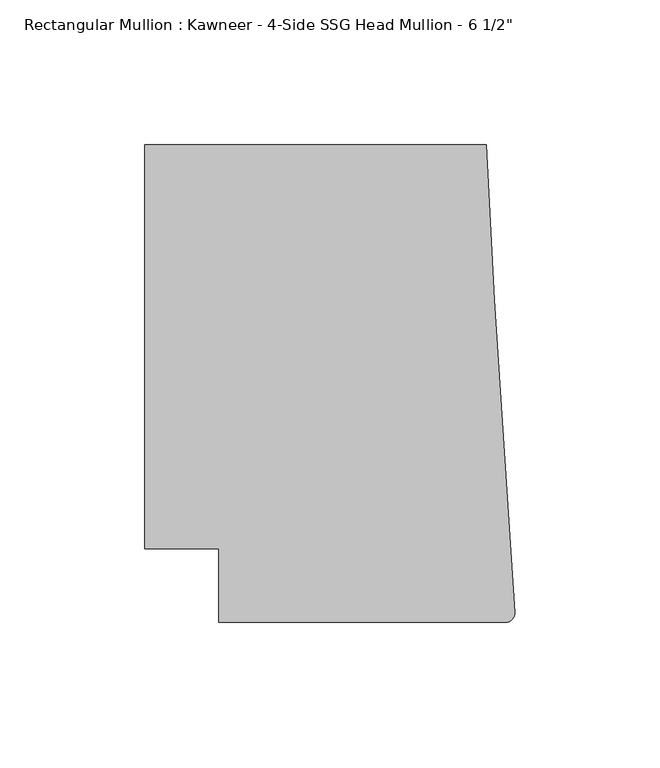
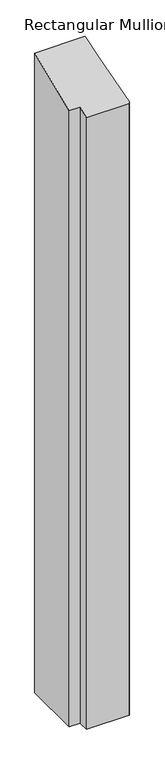
"""IFC4 building model written with IfcOpenShell, lengths in millimetres: member geometry."""

from ifc_helpers import new_model, si_unit, frame, origin, place, context, project, spatial, circle_curve, ellipse_curve, source, transform, mapped, element, save
from ifc_brep_helpers import plane_surface, cylinder_surface, advanced_brep


def member_3146b62b(model_context):
    return source(origin(), model_context, "Body", "AdvancedBrep", [
        advanced_brep(
        [(-102.08978, -12.7, -1510.1579859), (-102.08978, 12.7, -1510.1579859), (-127.4896668, 12.7, -1510.1579859), (-127.4896668, 151.892, -1510.1579859), (-9.7860662, 151.892, -1510.1579859), (-6.9873394, 98.4891117, -1510.1579859), (-0.006635, -9.3198462, -1510.1579859), (-3.175, -12.7, -1510.1579859), (-3.175, -12.7, -5.2605122), (-102.08978, -12.7, -5.2605122), (-0.006635, -9.3198462, -3.8604067), (-6.9873394, 98.4891117, 40.7955258), (-9.7860662, 151.892, 62.9157264), (-127.4896668, 151.892, 62.9157264), (-127.4896668, 12.7, 5.2605122), (-102.08978, 12.7, 5.2605122)],
        [
            (0, 1),
            (1, 2),
            (2, 3),
            (3, 4),
            (4, 5),
            (5, 6),
            (6, 7, circle_curve(frame((-3.175, -9.525, -1510.1579859), z_axis=(0.0, 0.0, -1.0), x_axis=(0.0, -1.0, 0.0)), 3.175)),
            (7, 0),
            (8, 9),
            (9, 0),
            (7, 8),
            (10, 8, ellipse_curve(frame((-3.175, -9.525, -3.9453842), z_axis=(0.0, 0.3826834323650882, -0.9238795325112874), x_axis=(0.0, 0.9238795325112874, 0.3826834323650882)), 3.4365952, 3.175)),
            (6, 10),
            (11, 10),
            (5, 11),
            (12, 11),
            (4, 12),
            (13, 12),
            (3, 13),
            (14, 13),
            (2, 14),
            (15, 14),
            (1, 15),
            (9, 15),
        ],
        [
            plane_surface(frame((0.0, -198.3048028, -1510.1579859), z_axis=(0.0, 0.0, -1.0), x_axis=(-1.0, 0.0, 0.0))),
            plane_surface(frame((-102.08978, -12.7, 0.0), z_axis=(0.0, -1.0, 0.0), x_axis=(0.0, 0.0, -1.0))),
            cylinder_surface(frame((-3.175, -9.525, 0.0), z_axis=(0.0, 0.0, 1.0), x_axis=(0.0, -1.0, 0.0)), 3.175),
            plane_surface(frame((-0.006635, -9.3198462, 0.0), z_axis=(0.9979102429769694, 0.06461537712995265, 0.0), x_axis=(0.0, 0.0, -1.0))),
            plane_surface(frame((-6.9873394, 98.4891117, 0.0), z_axis=(0.9986295347545738, 0.05233595624294541, 0.0), x_axis=(0.0, 0.0, -1.0))),
            plane_surface(frame((-9.7860662, 151.892, 0.0), z_axis=(0.0, 1.0, 0.0), x_axis=(0.0, 0.0, -1.0))),
            plane_surface(frame((-127.4896668, 151.892, 0.0), z_axis=(-1.0, 0.0, 0.0), x_axis=(0.0, 0.0, -1.0))),
            plane_surface(frame((-127.4896668, 12.7, 0.0), z_axis=(0.0, -1.0, 0.0), x_axis=(0.0, 0.0, -1.0))),
            plane_surface(frame((-102.08978, 12.7, 0.0), z_axis=(-1.0, 0.0, 0.0), x_axis=(0.0, 0.0, -1.0))),
            plane_surface(frame((304.8, 0.0, 0.0), z_axis=(0.0, -0.3826834323650882, 0.9238795325112874), x_axis=(0.0, -0.9238795325112874, -0.3826834323650882))),
        ],
        [
            (0, [[1, 2, 3, 4, 5, 6, 7, 8]]),
            (1, [[9, 10, -8, 11]]),
            (2, [[12, -11, -7, 13]]),
            (3, [[14, -13, -6, 15]]),
            (4, [[16, -15, -5, 17]]),
            (5, [[18, -17, -4, 19]]),
            (6, [[20, -19, -3, 21]]),
            (7, [[22, -21, -2, 23]]),
            (8, [[24, -23, -1, -10]]),
            (9, [[-9, -12, -14, -16, -18, -20, -22, -24]]),
        ],
    ),
    ])


if __name__ == "__main__":
    model = new_model("IFC4")
    model_context = context("Model", 3, world=origin())
    ifc_project = project(units=[si_unit("LENGTHUNIT", "METRE", prefix="MILLI")], contexts=[model_context])
    site = spatial("IfcSite", under=ifc_project)
    building = spatial("IfcBuilding", under=site)
    placement = place(None, origin())
    member_shape = member_3146b62b(model_context)
    element("IfcMember", 1, ObjectType="Rectangular Mullion : Kawneer - 4-Side SSG Head Mullion - 6 1/2\"", at=placement, inside=building, context=model_context, shape_type="MappedRepresentation", body=[
        mapped(member_shape, transform((0.0, 0.0, 0.0), x_axis=(1.0, 0.0, 0.0), y_axis=(0.0, 1.0, 0.0), z_axis=(0.0, 0.0, 1.0))),
    ])
    save(model, "model.ifc")
